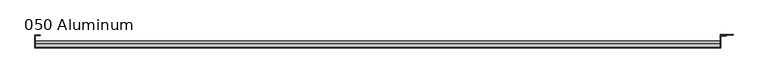
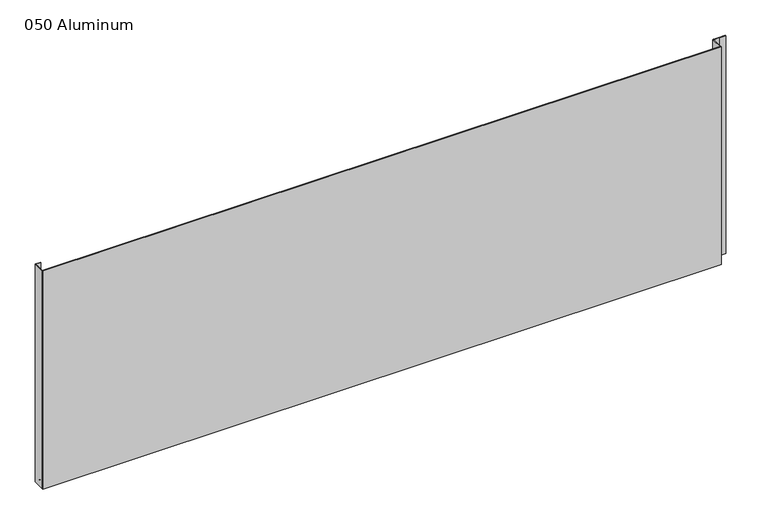
"""IFC4 building model written with IfcOpenShell, lengths in millimetres: plate geometry, 050 Aluminum."""

from ifc_helpers import new_model, si_unit, point, frame, frame_2d, origin, origin_with_axes, place, context, project, spatial, polyline, circle_curve, trimmed, segment, composite_curve, outline, extrude, source, transform, mapped, element, save


def plate_050_aluminum_d41e8ab9(model_context):
    return source(origin(), model_context, "Body", "SweptSolid", [
        extrude(outline(polyline([(-919.48, -2.5660257), (-919.48, -34.7980001), (-920.7499999, -34.7980001), (-920.7499999, -1.2699999), (-906.5894994, -1.2699999), (-906.5894994, -2.5660257), (-919.48, -2.5660257)])), origin_with_axes(), (0.0, 0.0, 1.0), 621.03),
        extrude(outline(composite_curve([segment(polyline([(-16.6765477, 13.1458337), (-16.6765477, 2.786437), (-17.9464915, 2.786437), (-17.9464915, 13.1323356)]), True, "CONTINUOUS"), segment(trimmed(circle_curve(frame_2d((-19.8514743, 13.124237)), 1.905), [point((-17.9464915, 13.1323356))], [point((-21.7564743, 13.124237))], True, "CARTESIAN"), True, "CONTINUOUS"), segment(polyline([(-21.7564743, 13.124237), (-21.7564743, 0.0), (-34.7980002, 0.0), (-34.7980002, 1.2693678), (-23.0264743, 1.2693678), (-23.0264743, 13.124237)]), True, "CONTINUOUS"), segment(trimmed(circle_curve(frame_2d((-19.8514743, 13.124237)), 3.175), [point((-23.0264743, 13.124237))], [point((-16.6765477, 13.1458337))], False, "CARTESIAN"), True, "CONTINUOUS")], self_intersect=False)), frame((-919.48, 0.0, 0.0), z_axis=(1.0, 0.0, 0.0), x_axis=(0.0, 1.0, 0.0)), (0.0, 0.0, 1.0), 1826.26),
        extrude(outline(polyline([(-920.75, -36.068), (-920.75, -34.7980001), (908.05, -34.7980001), (908.05, -36.068), (-920.75, -36.068)])), origin_with_axes(), (0.0, 0.0, 1.0), 622.3),
        extrude(outline(polyline([(908.05, -1.2699999), (908.05, -34.7980002), (906.7800001, -34.7980002), (906.7800001, 0.0), (940.5620856, 0.0), (940.5620856, -1.2699999), (908.05, -1.2699999)])), origin_with_axes(), (0.0, 0.0, 1.0), 621.03),
        extrude(outline(polyline([(906.78, -3.3274743), (906.78, -2.0574743), (922.5279999, -2.0574743), (922.5279999, -3.3274743), (906.78, -3.3274743)])), origin_with_axes(), (0.0, 0.0, 1.0), 622.3),
    ])


if __name__ == "__main__":
    model = new_model("IFC4")
    model_context = context("Model", 3, world=origin())
    ifc_project = project(units=[si_unit("LENGTHUNIT", "METRE", prefix="MILLI")], contexts=[model_context])
    site = spatial("IfcSite", under=ifc_project)
    building = spatial("IfcBuilding", under=site)
    placement = place(None, origin())
    plate_050_aluminum_shape = plate_050_aluminum_d41e8ab9(model_context)
    element("IfcPlate", 1, ObjectType="050 Aluminum", at=placement, inside=building, context=model_context, shape_type="MappedRepresentation", body=[
        mapped(plate_050_aluminum_shape, transform((0.0, 0.0, 0.0), x_axis=(1.0, 0.0, 0.0), y_axis=(0.0, 1.0, 0.0), z_axis=(0.0, 0.0, 1.0))),
    ])
    save(model, "model.ifc")
